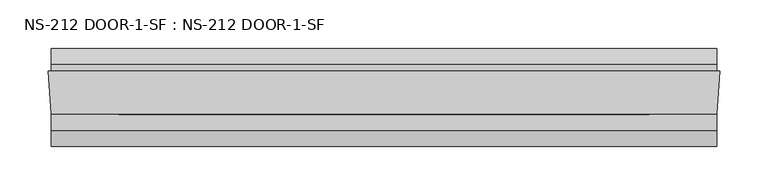
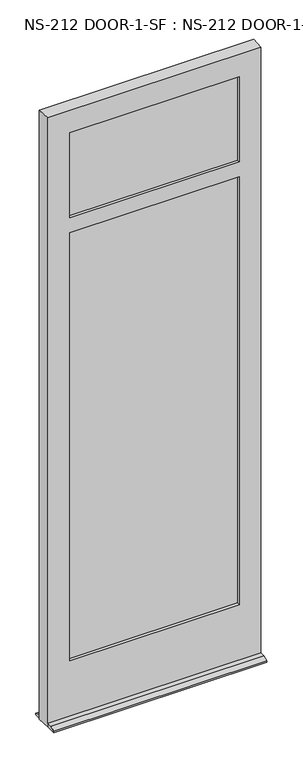
"""IFC4 building model written with IfcOpenShell, lengths in millimetres: plate geometry, NS-212 DOOR-1-SF : NS-212 DOOR-1-SF."""

from ifc_helpers import new_model, si_unit, frame, origin, place, context, project, spatial, polyline, outline, extrude, faceted_brep, source, transform, mapped, element, save


def ns_212_door_1_sf_ns_212_door_1_sf_e60776c3(model_context):
    return source(origin(), model_context, "Body", "SolidModel", [
        faceted_brep([(-274.1821761, -0.8585632, 201.6121956), (-274.1821761, -10.3835632, 201.6121956), (274.1821761, -10.3835632, 201.6121956), (274.1821761, -0.8585632, 201.6121956), (-347.2071761, -0.8585632, -0.0003044), (-347.2071761, -0.8585632, 2082.7996956), (347.2071761, -0.8585632, 2082.7996956), (347.2071761, -0.8585632, -0.0003044), (344.4385761, -0.8585632, -0.0003044), (344.4385761, -0.8585632, 12.6996956), (-344.4385761, -0.8585632, 12.6996956), (-344.4385761, -0.8585632, -0.0003044), (274.1821761, -0.8585632, 1665.2871956), (-274.1821761, -0.8585632, 1665.2871956), (-274.1821761, -0.8585632, 1716.0871956), (274.1821761, -0.8585632, 1716.0871956), (274.1821761, -0.8585632, 2006.5996956), (-274.1821761, -0.8585632, 2006.5996956), (274.1821761, -10.3835632, 1665.2871956), (274.1821761, -10.3835632, 1716.0871956), (274.1821761, -10.3835632, 2006.5996956), (-274.1821761, -10.3835632, 1665.2871956), (-274.1821761, -10.3835632, 2006.5996956), (-274.1821761, -10.3835632, 1716.0871956), (-344.4385761, -45.3085632, 2082.7996956), (-344.4385761, -45.3085632, -0.0003044), (-344.4385761, -45.3085632, 12.6996956), (344.4385761, -45.3085632, 2082.7996956), (344.4385761, -45.3085632, 12.6996956), (344.4385761, -45.3085632, -0.0003044), (344.4385761, -78.646154, -0.0003044), (-344.4385761, -78.646154, -0.0003044), (-344.4385761, 22.9539368, -0.0003044), (344.4385761, 22.9539368, -0.0003044), (344.4385761, -61.9583086, 12.6996956), (344.4385761, -78.646154, 4.9180255), (344.4385761, 22.9539368, 4.9180255), (344.4385761, 6.2660914, 12.6996956), (-344.4385761, 6.2660914, 12.6996956), (-344.4385761, 22.9539368, 4.9180255), (-344.4385761, -78.646154, 4.9180255), (-344.4385761, -61.9583086, 12.6996956), (-281.3259261, -10.3835632, 1672.4309456), (-281.3259261, -10.3835632, 194.4684456), (281.3259261, -10.3835632, 194.4684456), (281.3259261, -10.3835632, 1672.4309456), (-281.3259261, -10.3835632, 2013.7434456), (-281.3259261, -10.3835632, 1708.9434456), (281.3259261, -10.3835632, 1708.9434456), (281.3259261, -10.3835632, 2013.7434456), (-281.3259261, -35.7835632, 194.4684456), (-281.3259261, -35.7835632, 1672.4309456), (-281.3259261, -35.7835632, 2013.7434456), (-281.3259261, -35.7835632, 1708.9434456), (281.3259261, -35.7835632, 194.4684456), (281.3259261, -35.7835632, 1708.9434456), (281.3259261, -35.7835632, 2013.7434456), (281.3259261, -35.7835632, 1672.4309456), (-274.1821761, -35.7835632, 1665.2871956), (-274.1821761, -35.7835632, 201.6121956), (274.1821761, -35.7835632, 201.6121956), (274.1821761, -35.7835632, 1665.2871956), (-274.1821761, -35.7835632, 2006.5996956), (-274.1821761, -35.7835632, 1716.0871956), (274.1821761, -35.7835632, 1716.0871956), (274.1821761, -35.7835632, 2006.5996956), (-274.1821761, -45.3085632, 2006.5996956), (-274.1821761, -45.3085632, 1716.0871956), (-274.1821761, -45.3085632, 1665.2871956), (-274.1821761, -45.3085632, 201.6121956), (274.1821761, -45.3085632, 201.6121956), (274.1821761, -45.3085632, 1665.2871956), (274.1821761, -45.3085632, 1716.0871956), (274.1821761, -45.3085632, 2006.5996956)], [[[0, 1, 2, 3]], [[4, 5, 6, 7, 8, 9, 10, 11], [0, 3, 12, 13], [14, 15, 16, 17]], [[12, 3, 2, 18]], [[19, 20, 16, 15]], [[0, 13, 21, 1]], [[14, 17, 22, 23]], [[24, 5, 4, 25, 26]], [[6, 27, 28, 29, 7]], [[30, 31, 25, 4, 11, 32, 33, 8, 7, 29]], [[28, 34, 35, 30, 29]], [[33, 36, 37, 9, 8]], [[10, 9, 37, 38]], [[10, 38, 39, 32, 11]], [[31, 40, 41, 26, 25]], [[42, 43, 44, 45], [1, 21, 18, 2]], [[46, 47, 48, 49], [23, 22, 20, 19]], [[50, 43, 42, 51]], [[46, 52, 53, 47]], [[44, 43, 50, 54]], [[49, 48, 55, 56]], [[54, 57, 45, 44]], [[50, 51, 57, 54], [58, 59, 60, 61]], [[53, 52, 56, 55], [62, 63, 64, 65]], [[63, 62, 66, 67]], [[68, 69, 59, 58]], [[59, 69, 70, 60]], [[61, 60, 70, 71]], [[72, 73, 65, 64]], [[24, 26, 28, 27], [67, 66, 73, 72], [68, 71, 70, 69]], [[34, 28, 26, 41]], [[35, 34, 41, 40]], [[30, 35, 40, 31]], [[36, 33, 32, 39]], [[37, 36, 39, 38]], [[22, 17, 16, 20]], [[56, 52, 46, 49]], [[66, 62, 65, 73]], [[6, 5, 24, 27]], [[14, 23, 19, 15]], [[48, 47, 53, 55]], [[63, 67, 72, 64]], [[68, 58, 61, 71]], [[57, 51, 42, 45]], [[21, 13, 12, 18]]]),
        extrude(outline(polyline([(281.3259261, -10.3835632), (281.3259261, -16.7335632), (-281.3259261, -16.7335632), (-281.3259261, -10.3835632), (281.3259261, -10.3835632)])), frame((0.0, 0.0, 1708.9434456), z_axis=(0.0, 0.0, 1.0), x_axis=(1.0, 0.0, 0.0)), (0.0, 0.0, 1.0), 304.8),
        extrude(outline(polyline([(281.3259261, -29.4335632), (281.3259261, -35.7835632), (-281.3259261, -35.7835632), (-281.3259261, -29.4335632), (281.3259261, -29.4335632)])), frame((0.0, 0.0, 1708.9434456), z_axis=(0.0, 0.0, 1.0), x_axis=(1.0, 0.0, 0.0)), (0.0, 0.0, 1.0), 304.8),
        extrude(outline(polyline([(281.3259261, -10.3835632), (281.3259261, -16.7335632), (-281.3259261, -16.7335632), (-281.3259261, -10.3835632), (281.3259261, -10.3835632)])), frame((0.0, 0.0, 194.4684456), z_axis=(0.0, 0.0, 1.0), x_axis=(1.0, 0.0, 0.0)), (0.0, 0.0, 1.0), 1477.9625),
        extrude(outline(polyline([(281.3259261, -29.4335632), (281.3259261, -35.7835632), (-281.3259261, -35.7835632), (-281.3259261, -29.4335632), (281.3259261, -29.4335632)])), frame((0.0, 0.0, 194.4684456), z_axis=(0.0, 0.0, 1.0), x_axis=(1.0, 0.0, 0.0)), (0.0, 0.0, 1.0), 1477.9625),
    ])


if __name__ == "__main__":
    model = new_model("IFC4")
    model_context = context("Model", 3, world=origin())
    ifc_project = project(units=[si_unit("LENGTHUNIT", "METRE", prefix="MILLI")], contexts=[model_context])
    site = spatial("IfcSite", under=ifc_project)
    building = spatial("IfcBuilding", under=site)
    placement = place(None, origin())
    ns_212_door_1_sf_ns_212_door_1_sf_shape = ns_212_door_1_sf_ns_212_door_1_sf_e60776c3(model_context)
    element("IfcPlate", 1, ObjectType="NS-212 DOOR-1-SF : NS-212 DOOR-1-SF", at=placement, inside=building, context=model_context, shape_type="MappedRepresentation", body=[
        mapped(ns_212_door_1_sf_ns_212_door_1_sf_shape, transform((0.0, 0.0, 0.0), x_axis=(1.0, 0.0, 0.0), y_axis=(0.0, 1.0, 0.0), z_axis=(0.0, 0.0, 1.0))),
    ])
    save(model, "model.ifc")
